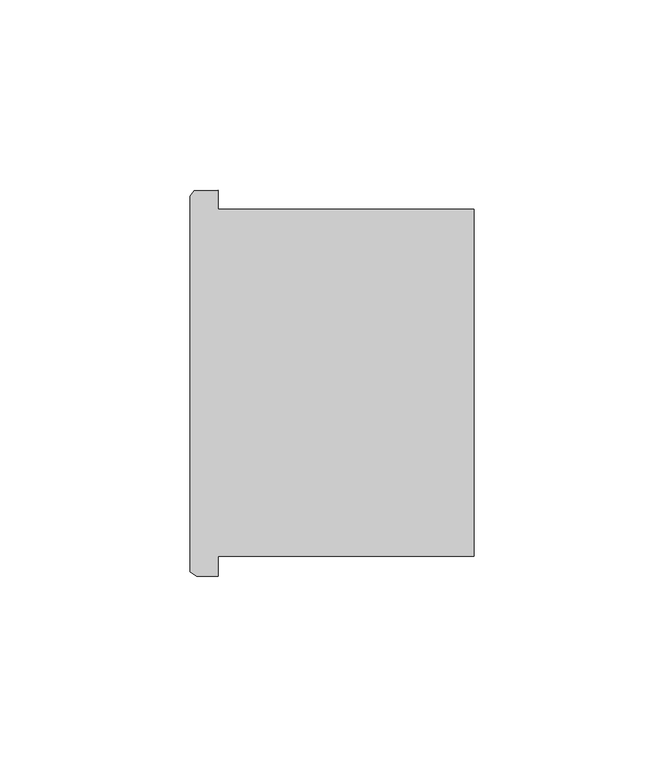
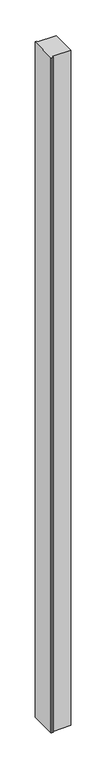
"""IFC4 building model written with IfcOpenShell, lengths in millimetres: column geometry."""

import ifcopenshell
import ifcopenshell.guid

model = None  # the IFC model being written
_history = None  # IfcOwnerHistory: only IFC2X3 demands one
_inside = {}  # id of a spatial element -> (the spatial element, [elements in it])
_under = {}  # id of a project, library or spatial element -> (it, [spatial elements below it])
_declared = {}  # id of a project -> (the project, [libraries it declares])
_typed = {}  # id of a type object -> (the type object, [elements of that type])
_made_of = {}  # id of a material, layer set ... -> (it, [elements and type objects made of it])


def new_model(schema):
    """Start an empty IFC model of exactly this schema.

    Asked for "IFC4X3", IfcOpenShell would pick the latest addendum, in which some entities
    have other attributes; the version numbers below select the first issue.
    IFC2X3 requires an IfcOwnerHistory on every rooted entity: one is made here for all.
    """
    global model, _history
    if schema == "IFC4X3":
        model = ifcopenshell.file(schema_version=(4, 3, 0, 0))
    else:
        model = ifcopenshell.file(schema=schema)
    _inside.clear()
    _under.clear()
    _declared.clear()
    _typed.clear()
    _made_of.clear()
    _history = None
    if model.schema == "IFC2X3":
        org = make("IfcOrganization", Name="unknown")
        user = make(
            "IfcPersonAndOrganization",
            ThePerson=make("IfcPerson", FamilyName="unknown"),
            TheOrganization=org,
        )
        app = make(
            "IfcApplication",
            ApplicationDeveloper=org,
            Version="unknown",
            ApplicationFullName="unknown",
            ApplicationIdentifier="unknown",
        )
        _history = make(
            "IfcOwnerHistory",
            OwningUser=user,
            OwningApplication=app,
            ChangeAction="ADDED",
            CreationDate=0,
        )
    return model


def make(cls, **values):
    """One entity of the class cls with the attributes given. An attribute that is None is left unset."""
    return model.create_entity(
        cls, **{name: value for name, value in values.items() if value is not None}
    )


def rooted(cls, **values):
    """An entity with a GlobalId (a new one), such as an element, a storey or a relation."""
    return make(cls, GlobalId=ifcopenshell.guid.new(), OwnerHistory=_history, **values)


def si_unit(unit_type, name, prefix=None):
    """IfcSIUnit, for example si_unit("LENGTHUNIT", "METRE", prefix="MILLI")."""
    return make("IfcSIUnit", UnitType=unit_type, Prefix=prefix, Name=name)


def assignment(units):
    """IfcUnitAssignment: the units of a project."""
    return None if units is None else make("IfcUnitAssignment", Units=units)


def point(xyz):
    """IfcCartesianPoint."""
    return None if xyz is None else make("IfcCartesianPoint", Coordinates=xyz)


def direction(xyz):
    """IfcDirection."""
    return None if xyz is None else make("IfcDirection", DirectionRatios=xyz)


def frame(location, z_axis=None, x_axis=None):
    """IfcAxis2Placement3D, a coordinate frame: its origin and axes. An axis left out is left unset."""
    return make(
        "IfcAxis2Placement3D",
        Location=point(location),
        Axis=direction(z_axis),
        RefDirection=direction(x_axis),
    )


def origin():
    """The frame at (0, 0, 0) with its axes left unset."""
    return frame((0.0, 0.0, 0.0))


def place(relative_to, where):
    """IfcLocalPlacement: puts the frame where relative to a parent placement (None: the world)."""
    return make(
        "IfcLocalPlacement", PlacementRelTo=relative_to, RelativePlacement=where
    )


def context(
    kind, dimensions, precision=None, world=None, true_north=None, identifier=None
):
    """IfcGeometricRepresentationContext, for example the 3D "Model" context."""
    return make(
        "IfcGeometricRepresentationContext",
        ContextIdentifier=identifier,
        ContextType=kind,
        CoordinateSpaceDimension=dimensions,
        Precision=precision,
        WorldCoordinateSystem=world,
        TrueNorth=true_north,
    )


def project(units=None, contexts=None):
    """IfcProject with its units and contexts."""
    return rooted(
        "IfcProject",
        Name="project",
        RepresentationContexts=contexts,
        UnitsInContext=assignment(units),
    )


def spatial(cls, under=None, at=None, **own):
    """A site, building, storey or space (cls), placed at a placement, below another one or the project."""
    s = rooted(cls, ObjectPlacement=at, **own)
    if under is not None:
        _under.setdefault(under.id(), (under, []))[1].append(s)
    return s


def polyline(points):
    """IfcPolyline through the points."""
    return make("IfcPolyline", Points=[point(p) for p in points])


def outline(outer, holes=None, kind="AREA"):
    """IfcArbitraryClosedProfileDef: a profile drawn as a closed curve; with holes, ...WithVoids."""
    if holes is None:
        return make("IfcArbitraryClosedProfileDef", ProfileType=kind, OuterCurve=outer)
    return make(
        "IfcArbitraryProfileDefWithVoids",
        ProfileType=kind,
        OuterCurve=outer,
        InnerCurves=holes,
    )


def extrude(swept, where, along, depth):
    """IfcExtrudedAreaSolid: the profile swept, set in the frame where, extruded along a direction by depth."""
    return make(
        "IfcExtrudedAreaSolid",
        SweptArea=swept,
        Position=where,
        ExtrudedDirection=direction(along),
        Depth=depth,
    )


def shape(context_of_items, identifier, shape_type, items):
    """IfcShapeRepresentation: the items that make up one representation, for example the "Body"."""
    return make(
        "IfcShapeRepresentation",
        ContextOfItems=context_of_items,
        RepresentationIdentifier=identifier,
        RepresentationType=shape_type,
        Items=items,
    )


def source(mapping_origin, context_of_items, identifier, shape_type, items):
    """IfcRepresentationMap: a shape defined once, which mapped items show again and again."""
    return make(
        "IfcRepresentationMap",
        MappingOrigin=mapping_origin,
        MappedRepresentation=shape(context_of_items, identifier, shape_type, items),
    )


def transform(
    local_origin,
    x_axis=None,
    y_axis=None,
    z_axis=None,
    scale=None,
    scale2=None,
    scale3=None,
    uniform=True,
):
    """IfcCartesianTransformationOperator3D, or its non-uniform kind. x_axis, y_axis, z_axis: its Axis1, 2, 3."""
    if uniform:
        return make(
            "IfcCartesianTransformationOperator3D",
            Axis1=direction(x_axis),
            Axis2=direction(y_axis),
            LocalOrigin=point(local_origin),
            Scale=scale,
            Axis3=direction(z_axis),
        )
    return make(
        "IfcCartesianTransformationOperator3DnonUniform",
        Axis1=direction(x_axis),
        Axis2=direction(y_axis),
        LocalOrigin=point(local_origin),
        Scale=scale,
        Axis3=direction(z_axis),
        Scale2=scale2,
        Scale3=scale3,
    )


def mapped(mapping_source, mapping_target):
    """IfcMappedItem: shows the shape of a source again, moved by a transform."""
    return make(
        "IfcMappedItem", MappingSource=mapping_source, MappingTarget=mapping_target
    )


def made_of(thing, what):
    """Note that an element or type object is made of a material, layer set ...; save() writes the relation."""
    if what is not None:
        _made_of.setdefault(what.id(), (what, []))[1].append(thing)
    return thing


def element(
    cls,
    number,
    at=None,
    inside=None,
    cuts=None,
    type_object=None,
    material=None,
    context=None,
    identifier="Body",
    shape_type=None,
    held_by="IfcProductDefinitionShape",
    body=None,
    shapes=None,
    **own,
):
    """One element of the class cls, such as IfcWall. Its Tag is "e" and its number.

    at: its placement. inside: the storey or other place that contains it. cuts: it is an
    opening in that element (IfcRelVoidsElement). A single representation is given by context,
    identifier, shape_type and body (its items); several are given by shapes. held_by: the class
    of the entity that holds the representations. save() writes the other relations.
    """
    e = rooted(cls, Tag="e%d" % number, ObjectPlacement=at, **own)
    if body is not None:
        shapes = [shape(context, identifier, shape_type, body)]
    if shapes is not None:
        e.Representation = make(held_by, Representations=shapes)
    if inside is not None:
        _inside.setdefault(inside.id(), (inside, []))[1].append(e)
    if cuts is not None:
        rooted(
            "IfcRelVoidsElement", RelatingBuildingElement=cuts, RelatedOpeningElement=e
        )
    if type_object is not None:
        _typed.setdefault(type_object.id(), (type_object, []))[1].append(e)
    return made_of(e, material)


def aggregate(whole, parts):
    """IfcRelAggregates: a whole, such as a stair, and the parts it consists of."""
    return rooted("IfcRelAggregates", RelatingObject=whole, RelatedObjects=parts)


def save(model, path):
    """Write the relations noted so far, then the file.

    IfcRelAggregates (storeys below a building ...), IfcRelContainedInSpatialStructure (elements
    in a storey), IfcRelDefinesByType, IfcRelAssociatesMaterial and IfcRelDeclares: one each for
    every whole, place, type object, material and project.
    """
    for whole, parts in _under.values():
        aggregate(whole, parts)
    for where, things in _inside.values():
        rooted(
            "IfcRelContainedInSpatialStructure",
            RelatedElements=things,
            RelatingStructure=where,
        )
    for kind, things in _typed.values():
        rooted("IfcRelDefinesByType", RelatedObjects=things, RelatingType=kind)
    for what, things in _made_of.values():
        rooted("IfcRelAssociatesMaterial", RelatedObjects=things, RelatingMaterial=what)
    for by, libraries in _declared.values():
        rooted("IfcRelDeclares", RelatingContext=by, RelatedDefinitions=libraries)
    model.write(path)


def column_7717f481(model_context):
    return source(origin(), model_context, "Body", "SweptSolid", [
        extrude(outline(polyline([(78009.3469274, -50642.239076), (78009.3469274, -50647.330252), (78076.642043, -50647.330252), (78076.642043, -50738.5401788), (78009.3469274, -50738.5401788), (78009.3469274, -50743.839076), (78003.654254, -50743.839076), (78001.886922, -50742.6050424), (78001.886922, -50643.8824052), (78002.9721116, -50642.3941176), (78009.3469274, -50642.239076)])), frame((0.0, 0.0, 4419.602032), z_axis=(0.0, 0.0, 1.0), x_axis=(1.0, 0.0, 0.0)), (0.0, 0.0, 1.0), 2590.7999482),
        extrude(outline(polyline([(78009.3469274, -50642.239076), (78009.3469274, -50647.330252), (78076.642043, -50647.330252), (78076.642043, -50738.5401788), (78009.3469274, -50738.5401788), (78009.3469274, -50743.839076), (78003.654254, -50743.839076), (78001.886922, -50742.6050424), (78001.886922, -50643.8824052), (78002.9721116, -50642.3941176), (78009.3469274, -50642.239076)])), frame((0.0, 0.0, 4419.602032), z_axis=(0.0, 0.0, 1.0), x_axis=(1.0, 0.0, 0.0)), (0.0, 0.0, 1.0), 2590.7999482),
    ])


if __name__ == "__main__":
    model = new_model("IFC4")
    model_context = context("Model", 3, world=origin())
    ifc_project = project(units=[si_unit("LENGTHUNIT", "METRE", prefix="MILLI")], contexts=[model_context])
    site = spatial("IfcSite", under=ifc_project)
    building = spatial("IfcBuilding", under=site)
    placement = place(None, origin())
    column_shape = column_7717f481(model_context)
    element("IfcColumn", 1, at=placement, inside=building, context=model_context, shape_type="MappedRepresentation", body=[
        mapped(column_shape, transform((0.0, 0.0, 0.0), x_axis=(1.0, 0.0, 0.0), y_axis=(0.0, 1.0, 0.0), z_axis=(0.0, 0.0, 1.0))),
    ])
    save(model, "model.ifc")
